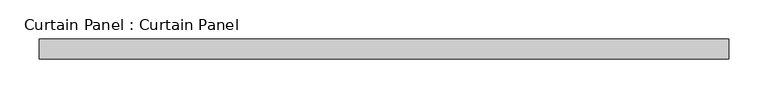
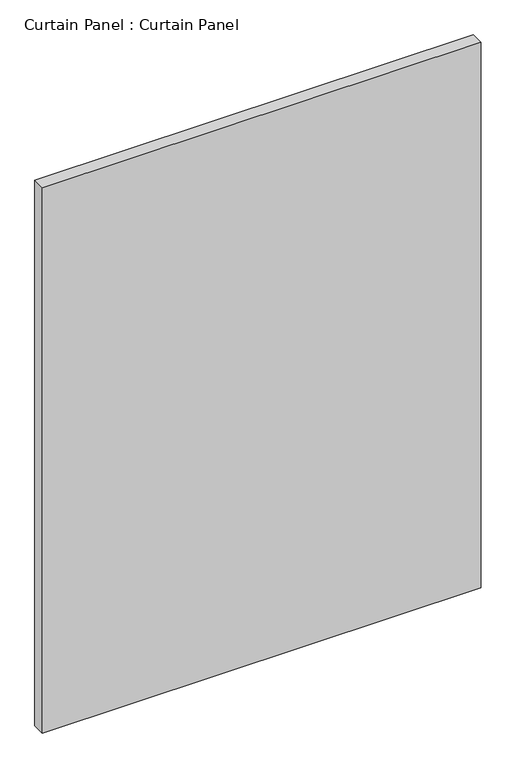
"""IFC4 building model written with IfcOpenShell, lengths in millimetres: plate geometry, Curtain Panel : Curtain Panel."""

from ifc_helpers import new_model, si_unit, frame, origin, place, context, project, spatial, polyline, outline, extrude, source, transform, mapped, element, save


def curtain_panel_curtain_panel_ee7cf0e3(model_context):
    return source(origin(), model_context, "Body", "SweptSolid", [
        extrude(outline(polyline([(-175823.5628689, 4757.6387985), (-176703.0378689, 4757.6387985), (-176703.0378689, 4783.0387985), (-175823.5628689, 4783.0387985), (-175823.5628689, 4757.6387985)])), frame((0.0, 0.0, 46.0375), z_axis=(0.0, 0.0, 1.0), x_axis=(1.0, 0.0, 0.0)), (0.0, 0.0, 1.0), 1155.7),
    ])


if __name__ == "__main__":
    model = new_model("IFC4")
    model_context = context("Model", 3, world=origin())
    ifc_project = project(units=[si_unit("LENGTHUNIT", "METRE", prefix="MILLI")], contexts=[model_context])
    site = spatial("IfcSite", under=ifc_project)
    building = spatial("IfcBuilding", under=site)
    placement = place(None, origin())
    curtain_panel_curtain_panel_shape = curtain_panel_curtain_panel_ee7cf0e3(model_context)
    element("IfcPlate", 1, ObjectType="Curtain Panel : Curtain Panel", at=placement, inside=building, context=model_context, shape_type="MappedRepresentation", body=[
        mapped(curtain_panel_curtain_panel_shape, transform((0.0, 0.0, 0.0), x_axis=(1.0, 0.0, 0.0), y_axis=(0.0, 1.0, 0.0), z_axis=(0.0, 0.0, 1.0))),
    ])
    save(model, "model.ifc")
